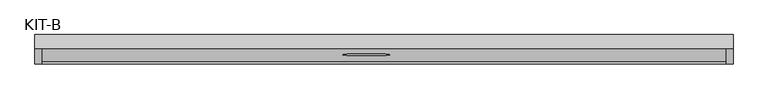
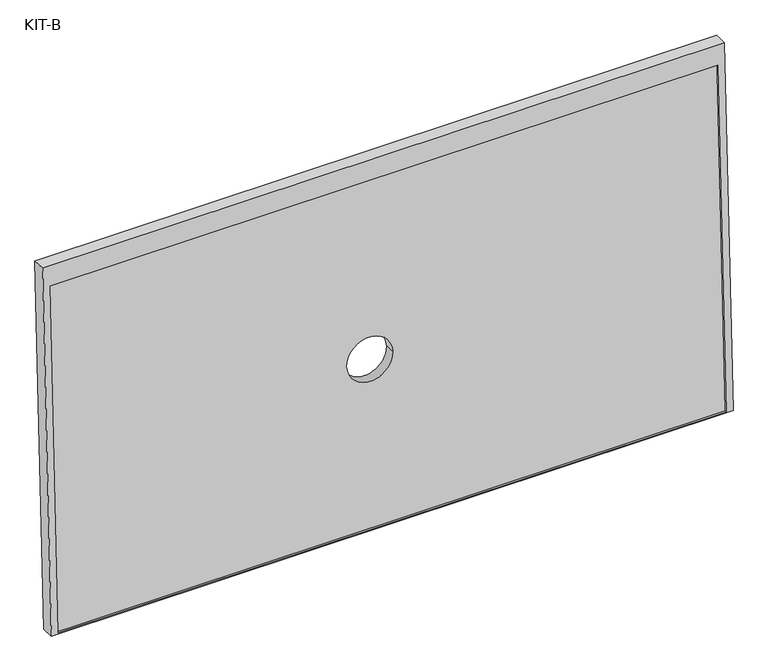
"""IFC4 building model written with IfcOpenShell, lengths in millimetres: plate geometry, KIT-B."""

from ifc_helpers import new_model, si_unit, point, frame, frame_2d, origin, place, context, project, spatial, polyline, circle_curve, trimmed, segment, composite_curve, outline, extrude, source, transform, mapped, element, save


def kit_b_bd44c38c(model_context):
    return source(origin(), model_context, "Body", "SweptSolid", [
        extrude(outline(polyline([(0.0, 0.0), (0.0, -1754.0), (-941.531593, -1754.0), (-941.531593, 0.0), (0.0, 0.0)]), holes=[composite_curve([segment(trimmed(circle_curve(frame_2d((-486.0241134, -831.5)), 60.0), [point((-486.0241134, -771.5))], [point((-486.0241134, -891.5))], True, "CARTESIAN"), True, "CONTINUOUS"), segment(trimmed(circle_curve(frame_2d((-486.0241134, -831.5)), 60.0), [point((-486.0241134, -891.5))], [point((-486.0241134, -771.5))], True, "CARTESIAN"), True, "CONTINUOUS")], self_intersect=False)]), frame((-877.0, -6.0845238, 839.9214051), z_axis=(0.0, -0.9992101801000246, 0.039736834102334216), x_axis=(0.0, 0.039736834102334216, 0.9992101801000246)), (0.0, 0.0, 1.0), 27.4505712),
        extrude(outline(polyline([(0.0, 0.0), (0.0, -1791.0), (-1000.0, -1791.0), (-1000.0, 0.0), (0.0, 0.0)]), holes=[polyline([(-55.0, -18.5), (-996.5315929, -18.5), (-996.5315929, -1772.5), (-55.0, -1772.5), (-55.0, -18.5)])]), frame((-895.5, -1.3515828, 894.7766587), z_axis=(0.0, -0.9992101801000246, 0.039736834102334216), x_axis=(0.0, 0.039736834102334216, 0.9992101801000246)), (0.0, 0.0, 1.0), 35.0),
    ])


if __name__ == "__main__":
    model = new_model("IFC4")
    model_context = context("Model", 3, world=origin())
    ifc_project = project(units=[si_unit("LENGTHUNIT", "METRE", prefix="MILLI")], contexts=[model_context])
    site = spatial("IfcSite", under=ifc_project)
    building = spatial("IfcBuilding", under=site)
    placement = place(None, origin())
    kit_b_shape = kit_b_bd44c38c(model_context)
    element("IfcPlate", 1, ObjectType="KIT-B", at=placement, inside=building, context=model_context, shape_type="MappedRepresentation", body=[
        mapped(kit_b_shape, transform((0.0, 0.0, 0.0), x_axis=(1.0, 0.0, 0.0), y_axis=(0.0, 1.0, 0.0), z_axis=(0.0, 0.0, 1.0))),
    ])
    save(model, "model.ifc")
